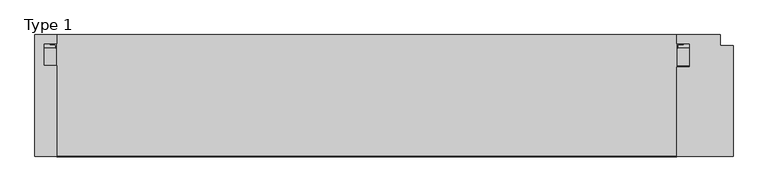
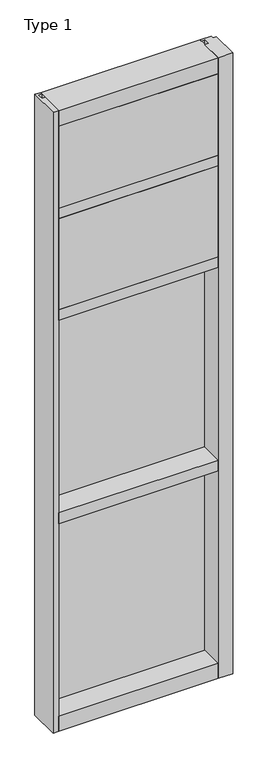
"""IFC4 building model written with IfcOpenShell, lengths in millimetres: plate geometry, Type 1."""

from ifc_helpers import new_model, si_unit, point, frame, frame_2d, origin, place, context, project, spatial, polyline, circle_curve, trimmed, segment, composite_curve, outline, extrude, source, transform, mapped, element, save


def type_1_0e13a526(model_context):
    return source(origin(), model_context, "Body", "SweptSolid", [
        extrude(outline(polyline([(34.0360843, 3579.4782689), (34.0360843, 3568.7272341), (27.686, 3566.9739421), (27.686, 3579.4782689), (34.0360843, 3579.4782689)])), frame((-471.4875, 0.0, 0.0), z_axis=(1.0, 0.0, 0.0), x_axis=(0.0, 1.0, 0.0)), (0.0, 0.0, 1.0), 942.975),
        extrude(outline(composite_curve([segment(polyline([(-452.9249462, 27.686), (-453.8914521, 27.686), (-453.9189595, 31.7563748)]), True, "CONTINUOUS"), segment(trimmed(circle_curve(frame_2d((-454.553945, 31.7520836)), 0.635), [point((-453.9189595, 31.7563748))], [point((-454.5188642, 32.3861138))], True, "CARTESIAN"), True, "CONTINUOUS"), segment(polyline([(-454.5188642, 32.3861138), (-461.2742251, 32.7598869)]), True, "CONTINUOUS"), segment(trimmed(circle_curve(frame_2d((-461.0916718, 33.7593519)), 1.016), [point((-461.2742251, 32.7598869))], [point((-462.0692504, 34.0361122))], False, "CARTESIAN"), True, "CONTINUOUS"), segment(polyline([(-462.0692504, 34.0361122), (-452.5140008, 34.0361122), (-452.9249462, 27.686)]), True, "CONTINUOUS")], self_intersect=False)), frame((0.0, 0.0, 3068.9728643), z_axis=(0.0, 0.0, 1.0), x_axis=(1.0, 0.0, 0.0)), (0.0, 0.0, 1.0), 518.7771357),
        extrude(outline(composite_curve([segment(polyline([(452.9249462, 27.686), (452.5140008, 34.0361122), (462.0692504, 34.0361122)]), True, "CONTINUOUS"), segment(trimmed(circle_curve(frame_2d((461.0916718, 33.7593519)), 1.016), [point((462.0692504, 34.0361122))], [point((461.2742251, 32.7598869))], False, "CARTESIAN"), True, "CONTINUOUS"), segment(polyline([(461.2742251, 32.7598869), (454.5188642, 32.3861138)]), True, "CONTINUOUS"), segment(trimmed(circle_curve(frame_2d((454.553945, 31.7520836)), 0.635), [point((454.5188642, 32.3861138))], [point((453.9189595, 31.7563748))], True, "CARTESIAN"), True, "CONTINUOUS"), segment(polyline([(453.9189595, 31.7563748), (453.8914521, 27.686), (452.9249462, 27.686)]), True, "CONTINUOUS")], self_intersect=False)), frame((0.0, 0.0, 3068.9728643), z_axis=(0.0, 0.0, 1.0), x_axis=(1.0, 0.0, 0.0)), (0.0, 0.0, 1.0), 518.7771357),
        extrude(outline(polyline([(34.0361122, 3068.9728643), (27.686, 3068.9728643), (27.686, 3081.4771952), (34.0361122, 3079.7238955), (34.0361122, 3068.9728643)])), frame((-462.0692504, 0.0, 0.0), z_axis=(1.0, 0.0, 0.0), x_axis=(0.0, 1.0, 0.0)), (0.0, 0.0, 1.0), 924.1385007),
        extrude(outline(polyline([(454.025, -48.6030703), (452.4375, -131.0159103), (-452.4375, -131.0159103), (-454.025, -48.6030703), (454.025, -48.6030703)])), frame((0.0, 0.0, 3079.75), z_axis=(0.0, 0.0, 1.0), x_axis=(1.0, 0.0, 0.0)), (0.0, 0.0, 1.0), 488.95),
        extrude(outline(polyline([(-471.4875, 27.686), (471.4875, 27.686), (471.4875, 2.286), (-471.4875, 2.286), (-471.4875, 27.686)])), frame((0.0, 0.0, 3060.7), z_axis=(0.0, 0.0, 1.0), x_axis=(1.0, 0.0, 0.0)), (0.0, 0.0, 1.0), 527.05),
        extrude(outline(composite_curve([segment(polyline([(34.0360974, 3027.0282838), (34.0360974, 3016.1659828)]), True, "CONTINUOUS"), segment(trimmed(circle_curve(frame_2d((38.5198748, 2991.1648681)), 25.4), [point((34.0360974, 3016.1659828))], [point((27.686, 3014.1384868))], True, "CARTESIAN"), True, "CONTINUOUS"), segment(polyline([(27.686, 3014.1384868), (27.686, 3027.0282838), (34.0360974, 3027.0282838)]), True, "CONTINUOUS")], self_intersect=False)), frame((-471.4875, 0.0, 0.0), z_axis=(1.0, 0.0, 0.0), x_axis=(0.0, 1.0, 0.0)), (0.0, 0.0, 1.0), 942.975),
        extrude(outline(composite_curve([segment(polyline([(-452.5140008, 34.0361122), (-452.9249462, 27.686), (-453.8914521, 27.686), (-453.9189595, 31.7563748)]), True, "CONTINUOUS"), segment(trimmed(circle_curve(frame_2d((-454.553945, 31.7520836)), 0.635), [point((-453.9189595, 31.7563748))], [point((-454.5188642, 32.3861138))], True, "CARTESIAN"), True, "CONTINUOUS"), segment(polyline([(-454.5188642, 32.3861138), (-461.2742251, 32.7598869)]), True, "CONTINUOUS"), segment(trimmed(circle_curve(frame_2d((-461.0916718, 33.7593519)), 1.016), [point((-461.2742251, 32.7598869))], [point((-462.0692504, 34.0361122))], False, "CARTESIAN"), True, "CONTINUOUS"), segment(polyline([(-462.0692504, 34.0361122), (-452.5140008, 34.0361122)]), True, "CONTINUOUS")], self_intersect=False)), frame((0.0, 0.0, 2459.3728643), z_axis=(0.0, 0.0, 1.0), x_axis=(1.0, 0.0, 0.0)), (0.0, 0.0, 1.0), 575.9271357),
        extrude(outline(composite_curve([segment(polyline([(452.9249462, 27.686), (452.5140008, 34.0361122), (462.0692504, 34.0361122)]), True, "CONTINUOUS"), segment(trimmed(circle_curve(frame_2d((461.0916718, 33.7593519)), 1.016), [point((462.0692504, 34.0361122))], [point((461.2742251, 32.7598869))], False, "CARTESIAN"), True, "CONTINUOUS"), segment(polyline([(461.2742251, 32.7598869), (454.5188642, 32.3861138)]), True, "CONTINUOUS"), segment(trimmed(circle_curve(frame_2d((454.553945, 31.7520836)), 0.635), [point((454.5188642, 32.3861138))], [point((453.9189595, 31.7563748))], True, "CARTESIAN"), True, "CONTINUOUS"), segment(polyline([(453.9189595, 31.7563748), (453.8914521, 27.686), (452.9249462, 27.686)]), True, "CONTINUOUS")], self_intersect=False)), frame((0.0, 0.0, 2459.3728643), z_axis=(0.0, 0.0, 1.0), x_axis=(1.0, 0.0, 0.0)), (0.0, 0.0, 1.0), 575.9271357),
        extrude(outline(polyline([(34.0361122, 2459.3728643), (27.686, 2459.3728643), (27.686, 2471.8771952), (34.0361122, 2470.1238955), (34.0361122, 2459.3728643)])), frame((-462.0692504, 0.0, 0.0), z_axis=(1.0, 0.0, 0.0), x_axis=(0.0, 1.0, 0.0)), (0.0, 0.0, 1.0), 924.1385007),
        extrude(outline(polyline([(452.4375, -48.514), (452.4375, -131.0159103), (-452.4375, -131.0159103), (-452.4375, -48.514), (452.4375, -48.514)])), frame((0.0, 0.0, 2470.15), z_axis=(0.0, 0.0, 1.0), x_axis=(1.0, 0.0, 0.0)), (0.0, 0.0, 1.0), 546.1),
        extrude(outline(polyline([(471.4875, 27.686), (471.4875, 2.286), (-471.4875, 2.286), (-471.4875, 27.686), (471.4875, 27.686)])), frame((0.0, 0.0, 2451.1), z_axis=(0.0, 0.0, 1.0), x_axis=(1.0, 0.0, 0.0)), (0.0, 0.0, 1.0), 584.2),
        extrude(outline(polyline([(-484.1875, -130.5814), (-484.1875, 47.2186), (-452.4364108, 47.2186), (-452.4364108, 34.036), (-471.4875, 34.036), (-471.4875, 2.286), (-452.4375, 2.286), (-452.4375, -130.5814), (-484.1875, -130.5814)])), frame((0.0, 0.0, -57.15), z_axis=(0.0, 0.0, 1.0), x_axis=(1.0, 0.0, 0.0)), (0.0, 0.0, 1.0), 3721.1),
        extrude(outline(polyline([(452.4375, -130.5814), (452.4375, 0.0), (471.4875, 0.0), (471.4875, 34.036), (452.4375, 34.036), (452.4375, 47.2186), (515.9375, 47.2186), (515.9375, 31.3944), (534.9875, 31.3944), (534.9875, -130.5814), (452.4375, -130.5814)])), frame((0.0, 0.0, -57.15), z_axis=(0.0, 0.0, 1.0), x_axis=(1.0, 0.0, 0.0)), (0.0, 0.0, 1.0), 3721.1),
        extrude(outline(polyline([(27.686, 1252.6752684), (34.036, 1250.9219997), (34.036, 1240.1709644), (27.686, 1240.1709644), (27.686, 1252.6752684)])), frame((-462.0703713, 0.0, 0.0), z_axis=(1.0, 0.0, 0.0), x_axis=(0.0, 1.0, 0.0)), (0.0, 0.0, 1.0), 924.1407427),
        extrude(outline(polyline([(27.6860992, 2417.4309356), (34.0360992, 2417.4309356), (34.0360992, 2406.6798775), (27.6860992, 2404.9266088), (27.6860992, 2417.4309356)])), frame((-462.0703713, 0.0, 0.0), z_axis=(1.0, 0.0, 0.0), x_axis=(0.0, 1.0, 0.0)), (0.0, 0.0, 1.0), 924.1407427),
        extrude(outline(composite_curve([segment(trimmed(circle_curve(frame_2d((-454.5550342, 31.7520836)), 0.635), [point((-453.9200487, 31.7563748))], [point((-454.5199534, 32.3861138))], True, "CARTESIAN"), True, "CONTINUOUS"), segment(polyline([(-454.5199534, 32.3861138), (-461.2753143, 32.7598869)]), True, "CONTINUOUS"), segment(trimmed(circle_curve(frame_2d((-461.0927611, 33.7593519)), 1.016), [point((-461.2753143, 32.7598869))], [point((-462.0703713, 34.036))], False, "CARTESIAN"), True, "CONTINUOUS"), segment(polyline([(-462.0703713, 34.036), (-452.5150972, 34.036), (-452.9260354, 27.686), (-453.8925413, 27.686), (-453.9200487, 31.7563748)]), True, "CONTINUOUS")], self_intersect=False)), frame((0.0, 0.0, 1240.1709644), z_axis=(0.0, 0.0, 1.0), x_axis=(1.0, 0.0, 0.0)), (0.0, 0.0, 1.0), 1177.2580861),
        extrude(outline(composite_curve([segment(polyline([(452.9260354, 27.686), (452.5150972, 34.036), (462.0703713, 34.036)]), True, "CONTINUOUS"), segment(trimmed(circle_curve(frame_2d((461.0927611, 33.7593519)), 1.016), [point((462.0703713, 34.036))], [point((461.2753143, 32.7598869))], False, "CARTESIAN"), True, "CONTINUOUS"), segment(polyline([(461.2753143, 32.7598869), (454.5199534, 32.3861138)]), True, "CONTINUOUS"), segment(trimmed(circle_curve(frame_2d((454.5550342, 31.7520836)), 0.635), [point((454.5199534, 32.3861138))], [point((453.9200487, 31.7563748))], True, "CARTESIAN"), True, "CONTINUOUS"), segment(polyline([(453.9200487, 31.7563748), (453.8925413, 27.686), (452.9260354, 27.686)]), True, "CONTINUOUS")], self_intersect=False)), frame((0.0, 0.0, 1240.1709644), z_axis=(0.0, 0.0, 1.0), x_axis=(1.0, 0.0, 0.0)), (0.0, 0.0, 1.0), 1177.2580861),
        extrude(outline(polyline([(471.4885892, 27.686), (471.4885892, 2.286), (-471.4885892, 2.286), (-471.4885892, 27.686), (471.4885892, 27.686)])), frame((0.0, 0.0, 1231.8962001), z_axis=(0.0, 0.0, 1.0), x_axis=(1.0, 0.0, 0.0)), (0.0, 0.0, 1.0), 1193.8037999),
        extrude(outline(polyline([(27.686, 33.4752684), (34.036, 31.7219997), (34.036, 20.9709644), (27.686, 20.9709644), (27.686, 33.4752684)])), frame((-462.0703713, 0.0, 0.0), z_axis=(1.0, 0.0, 0.0), x_axis=(0.0, 1.0, 0.0)), (0.0, 0.0, 1.0), 924.1407427),
        extrude(outline(polyline([(27.6860992, 1198.2309356), (34.0360992, 1198.2309356), (34.0360992, 1187.4798775), (27.6860992, 1185.7266088), (27.6860992, 1198.2309356)])), frame((-462.0703713, 0.0, 0.0), z_axis=(1.0, 0.0, 0.0), x_axis=(0.0, 1.0, 0.0)), (0.0, 0.0, 1.0), 924.1407427),
        extrude(outline(composite_curve([segment(trimmed(circle_curve(frame_2d((-454.5550342, 31.7520836)), 0.635), [point((-453.9200487, 31.7563748))], [point((-454.5199534, 32.3861138))], True, "CARTESIAN"), True, "CONTINUOUS"), segment(polyline([(-454.5199534, 32.3861138), (-461.2753143, 32.7598869)]), True, "CONTINUOUS"), segment(trimmed(circle_curve(frame_2d((-461.0927611, 33.7593519)), 1.016), [point((-461.2753143, 32.7598869))], [point((-462.0703713, 34.036))], False, "CARTESIAN"), True, "CONTINUOUS"), segment(polyline([(-462.0703713, 34.036), (-452.5150972, 34.036), (-452.9260354, 27.686), (-453.8925413, 27.686), (-453.9200487, 31.7563748)]), True, "CONTINUOUS")], self_intersect=False)), frame((0.0, 0.0, 20.9709644), z_axis=(0.0, 0.0, 1.0), x_axis=(1.0, 0.0, 0.0)), (0.0, 0.0, 1.0), 1177.2580861),
        extrude(outline(composite_curve([segment(polyline([(452.9260354, 27.686), (452.5150972, 34.036), (462.0703713, 34.036)]), True, "CONTINUOUS"), segment(trimmed(circle_curve(frame_2d((461.0927611, 33.7593519)), 1.016), [point((462.0703713, 34.036))], [point((461.2753143, 32.7598869))], False, "CARTESIAN"), True, "CONTINUOUS"), segment(polyline([(461.2753143, 32.7598869), (454.5199534, 32.3861138)]), True, "CONTINUOUS"), segment(trimmed(circle_curve(frame_2d((454.5550342, 31.7520836)), 0.635), [point((454.5199534, 32.3861138))], [point((453.9200487, 31.7563748))], True, "CARTESIAN"), True, "CONTINUOUS"), segment(polyline([(453.9200487, 31.7563748), (453.8925413, 27.686), (452.9260354, 27.686)]), True, "CONTINUOUS")], self_intersect=False)), frame((0.0, 0.0, 20.9709644), z_axis=(0.0, 0.0, 1.0), x_axis=(1.0, 0.0, 0.0)), (0.0, 0.0, 1.0), 1177.2580861),
        extrude(outline(polyline([(471.4885892, 27.686), (471.4885892, 2.286), (-471.4885892, 2.286), (-471.4885892, 27.686), (471.4885892, 27.686)])), frame((0.0, 0.0, 12.6962001), z_axis=(0.0, 0.0, 1.0), x_axis=(1.0, 0.0, 0.0)), (0.0, 0.0, 1.0), 1193.8037999),
        extrude(outline(polyline([(0.0, 3079.75), (0.0, 3060.7), (34.13125, 3060.7), (34.13125, 3079.7462001), (46.83125, 3079.7462001), (46.83125, 3016.2462001), (34.13125, 3016.2462001), (34.13125, 3035.3), (0.0, 3035.3), (0.0, 3016.25), (-130.175, 3016.25), (-130.175, 3079.75), (0.0, 3079.75)])), frame((-452.4375, 0.0, 0.0), z_axis=(1.0, 0.0, 0.0), x_axis=(0.0, 1.0, 0.0)), (0.0, 0.0, 1.0), 904.875),
        extrude(outline(polyline([(0.0, 2470.15), (0.0, 2451.1), (34.13125, 2451.1), (34.13125, 2470.1462001), (46.83125, 2470.1462001), (46.83125, 2406.6462001), (34.13125, 2406.6462001), (34.13125, 2425.7), (0.0, 2425.7), (0.0, 2406.65), (-130.175, 2406.65), (-130.175, 2470.15), (0.0, 2470.15)])), frame((-452.4375, 0.0, 0.0), z_axis=(1.0, 0.0, 0.0), x_axis=(0.0, 1.0, 0.0)), (0.0, 0.0, 1.0), 904.875),
        extrude(outline(polyline([(47.2186297, 3663.95), (47.2186297, 3568.7), (34.13125, 3568.7), (34.13125, 3587.75), (0.0, 3587.75), (0.0, 3568.7), (-130.175, 3568.7), (-130.175, 3663.95), (47.2186297, 3663.95)])), frame((-452.4375, 0.0, 0.0), z_axis=(1.0, 0.0, 0.0), x_axis=(0.0, 1.0, 0.0)), (0.0, 0.0, 1.0), 904.875),
        extrude(outline(polyline([(0.0, 1250.95), (0.0, 1231.9), (34.13125, 1231.9), (34.13125, 1250.9462001), (46.83125, 1250.9462001), (46.83125, 1187.4462001), (34.13125, 1187.4462001), (34.13125, 1206.5), (0.0, 1206.5), (0.0, 1187.45), (-130.175, 1187.45), (-130.175, 1250.95), (0.0, 1250.95)])), frame((-452.4375, 0.0, 0.0), z_axis=(1.0, 0.0, 0.0), x_axis=(0.0, 1.0, 0.0)), (0.0, 0.0, 1.0), 904.875),
        extrude(outline(polyline([(0.0, 31.75), (0.0, 12.7), (34.13125, 12.7), (34.13125, 31.751832), (47.2186148, 31.751832), (47.2186148, -57.15), (-130.175, -57.15), (-130.175, 31.75), (0.0, 31.75)])), frame((-452.4375, 0.0, 0.0), z_axis=(1.0, 0.0, 0.0), x_axis=(0.0, 1.0, 0.0)), (0.0, 0.0, 1.0), 904.875),
    ])


if __name__ == "__main__":
    model = new_model("IFC4")
    model_context = context("Model", 3, world=origin())
    ifc_project = project(units=[si_unit("LENGTHUNIT", "METRE", prefix="MILLI")], contexts=[model_context])
    site = spatial("IfcSite", under=ifc_project)
    building = spatial("IfcBuilding", under=site)
    placement = place(None, origin())
    type_1_shape = type_1_0e13a526(model_context)
    element("IfcPlate", 1, ObjectType="Type 1", at=placement, inside=building, context=model_context, shape_type="MappedRepresentation", body=[
        mapped(type_1_shape, transform((0.0, 0.0, 0.0), x_axis=(1.0, 0.0, 0.0), y_axis=(0.0, 1.0, 0.0), z_axis=(0.0, 0.0, 1.0))),
    ])
    save(model, "model.ifc")
